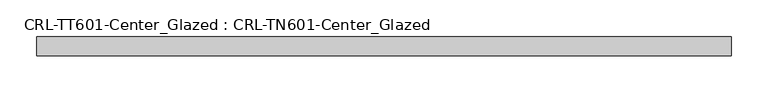
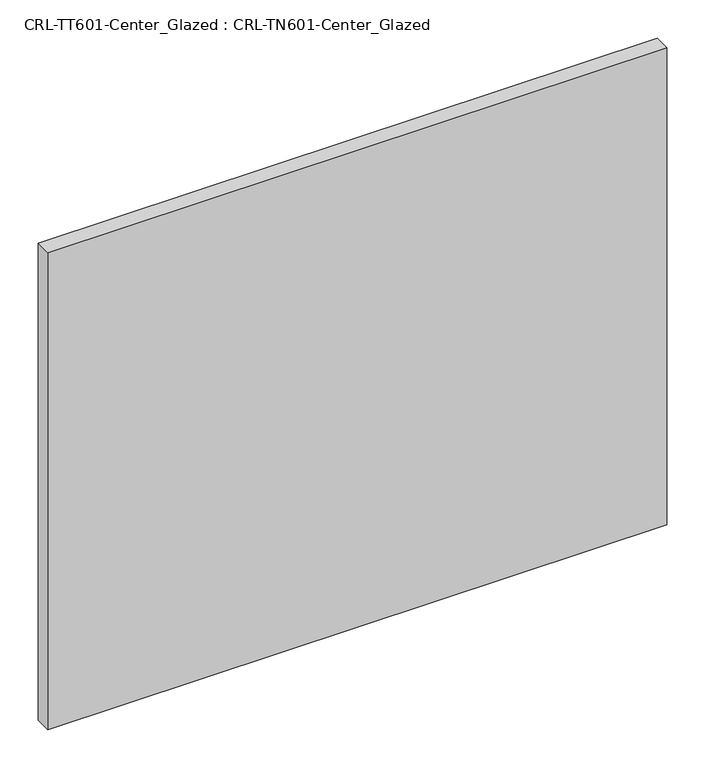
"""IFC4 building model written with IfcOpenShell, lengths in millimetres: plate geometry, CRL-TT601-Center_Glazed : CRL-TN601-Center_Glazed."""

from ifc_helpers import new_model, si_unit, origin, origin_with_axes, place, context, project, spatial, polyline, outline, extrude, source, transform, mapped, element, save


def crl_tt601_center_glazed_crl_tn601_center_glazed_6aea6b2a(model_context):
    return source(origin(), model_context, "Body", "SweptSolid", [
        extrude(outline(polyline([(-469.903778, -12.7254), (-469.903778, 12.6746), (469.903778, 12.6746), (469.903778, -12.7254), (-469.903778, -12.7254)])), origin_with_axes(), (0.0, 0.0, 1.0), 766.1482726),
    ])


if __name__ == "__main__":
    model = new_model("IFC4")
    model_context = context("Model", 3, world=origin())
    ifc_project = project(units=[si_unit("LENGTHUNIT", "METRE", prefix="MILLI")], contexts=[model_context])
    site = spatial("IfcSite", under=ifc_project)
    building = spatial("IfcBuilding", under=site)
    placement = place(None, origin())
    crl_tt601_center_glazed_crl_tn601_center_glazed_shape = crl_tt601_center_glazed_crl_tn601_center_glazed_6aea6b2a(model_context)
    element("IfcPlate", 1, ObjectType="CRL-TT601-Center_Glazed : CRL-TN601-Center_Glazed", at=placement, inside=building, context=model_context, shape_type="MappedRepresentation", body=[
        mapped(crl_tt601_center_glazed_crl_tn601_center_glazed_shape, transform((0.0, 0.0, 0.0), x_axis=(1.0, 0.0, 0.0), y_axis=(0.0, 1.0, 0.0), z_axis=(0.0, 0.0, 1.0))),
    ])
    save(model, "model.ifc")
